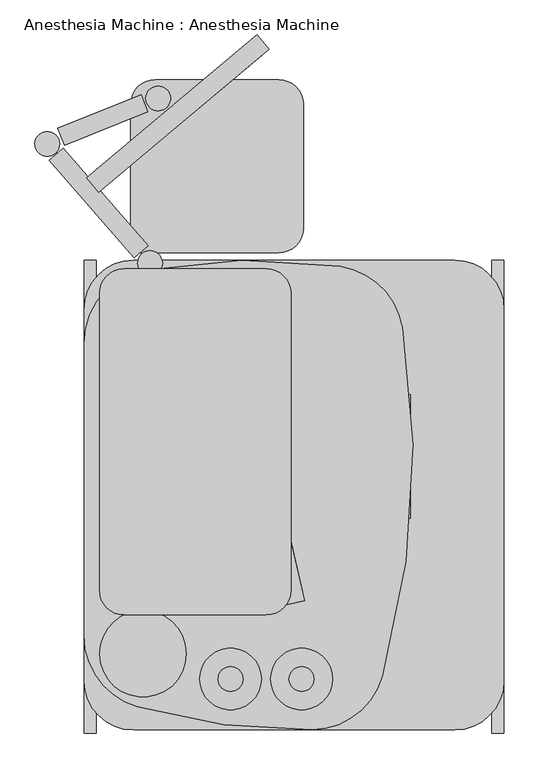
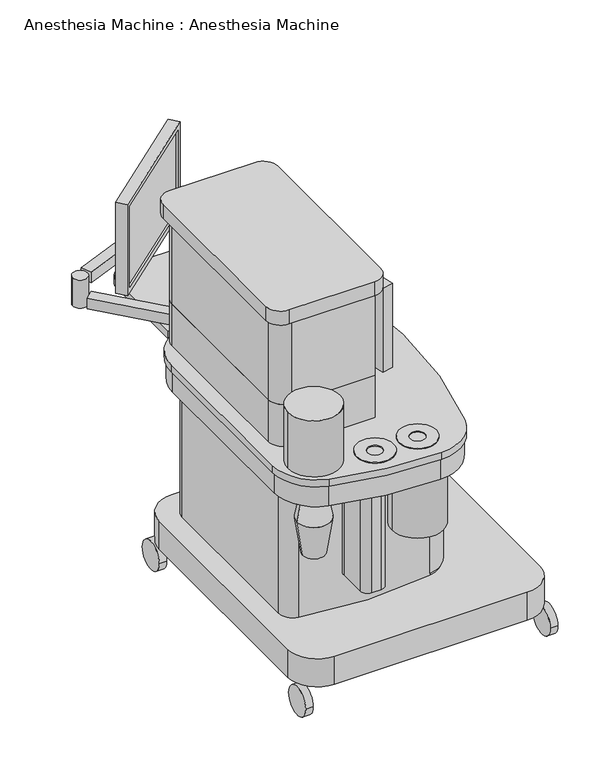
"""IFC4 building model written with IfcOpenShell, lengths in millimetres: proxy geometry, Anesthesia Machine : Anesthesia Machine."""

import ifcopenshell
import ifcopenshell.guid

model = None  # the IFC model being written
_history = None  # IfcOwnerHistory: only IFC2X3 demands one
_inside = {}  # id of a spatial element -> (the spatial element, [elements in it])
_under = {}  # id of a project, library or spatial element -> (it, [spatial elements below it])
_declared = {}  # id of a project -> (the project, [libraries it declares])
_typed = {}  # id of a type object -> (the type object, [elements of that type])
_made_of = {}  # id of a material, layer set ... -> (it, [elements and type objects made of it])


def new_model(schema):
    """Start an empty IFC model of exactly this schema.

    Asked for "IFC4X3", IfcOpenShell would pick the latest addendum, in which some entities
    have other attributes; the version numbers below select the first issue.
    IFC2X3 requires an IfcOwnerHistory on every rooted entity: one is made here for all.
    """
    global model, _history
    if schema == "IFC4X3":
        model = ifcopenshell.file(schema_version=(4, 3, 0, 0))
    else:
        model = ifcopenshell.file(schema=schema)
    _inside.clear()
    _under.clear()
    _declared.clear()
    _typed.clear()
    _made_of.clear()
    _history = None
    if model.schema == "IFC2X3":
        org = make("IfcOrganization", Name="unknown")
        user = make(
            "IfcPersonAndOrganization",
            ThePerson=make("IfcPerson", FamilyName="unknown"),
            TheOrganization=org,
        )
        app = make(
            "IfcApplication",
            ApplicationDeveloper=org,
            Version="unknown",
            ApplicationFullName="unknown",
            ApplicationIdentifier="unknown",
        )
        _history = make(
            "IfcOwnerHistory",
            OwningUser=user,
            OwningApplication=app,
            ChangeAction="ADDED",
            CreationDate=0,
        )
    return model


def make(cls, **values):
    """One entity of the class cls with the attributes given. An attribute that is None is left unset."""
    return model.create_entity(
        cls, **{name: value for name, value in values.items() if value is not None}
    )


def rooted(cls, **values):
    """An entity with a GlobalId (a new one), such as an element, a storey or a relation."""
    return make(cls, GlobalId=ifcopenshell.guid.new(), OwnerHistory=_history, **values)


def si_unit(unit_type, name, prefix=None):
    """IfcSIUnit, for example si_unit("LENGTHUNIT", "METRE", prefix="MILLI")."""
    return make("IfcSIUnit", UnitType=unit_type, Prefix=prefix, Name=name)


def assignment(units):
    """IfcUnitAssignment: the units of a project."""
    return None if units is None else make("IfcUnitAssignment", Units=units)


def point(xyz):
    """IfcCartesianPoint."""
    return None if xyz is None else make("IfcCartesianPoint", Coordinates=xyz)


def direction(xyz):
    """IfcDirection."""
    return None if xyz is None else make("IfcDirection", DirectionRatios=xyz)


def frame(location, z_axis=None, x_axis=None):
    """IfcAxis2Placement3D, a coordinate frame: its origin and axes. An axis left out is left unset."""
    return make(
        "IfcAxis2Placement3D",
        Location=point(location),
        Axis=direction(z_axis),
        RefDirection=direction(x_axis),
    )


def frame_2d(location, x_axis=None):
    """IfcAxis2Placement2D, a coordinate frame in the plane: its origin and x axis."""
    return make(
        "IfcAxis2Placement2D", Location=point(location), RefDirection=direction(x_axis)
    )


def origin():
    """The frame at (0, 0, 0) with its axes left unset."""
    return frame((0.0, 0.0, 0.0))


def place(relative_to, where):
    """IfcLocalPlacement: puts the frame where relative to a parent placement (None: the world)."""
    return make(
        "IfcLocalPlacement", PlacementRelTo=relative_to, RelativePlacement=where
    )


def context(
    kind, dimensions, precision=None, world=None, true_north=None, identifier=None
):
    """IfcGeometricRepresentationContext, for example the 3D "Model" context."""
    return make(
        "IfcGeometricRepresentationContext",
        ContextIdentifier=identifier,
        ContextType=kind,
        CoordinateSpaceDimension=dimensions,
        Precision=precision,
        WorldCoordinateSystem=world,
        TrueNorth=true_north,
    )


def project(units=None, contexts=None):
    """IfcProject with its units and contexts."""
    return rooted(
        "IfcProject",
        Name="project",
        RepresentationContexts=contexts,
        UnitsInContext=assignment(units),
    )


def spatial(cls, under=None, at=None, **own):
    """A site, building, storey or space (cls), placed at a placement, below another one or the project."""
    s = rooted(cls, ObjectPlacement=at, **own)
    if under is not None:
        _under.setdefault(under.id(), (under, []))[1].append(s)
    return s


def polyline(points):
    """IfcPolyline through the points."""
    return make("IfcPolyline", Points=[point(p) for p in points])


def circle_curve(where, radius):
    """IfcCircle in the frame where."""
    return make("IfcCircle", Position=where, Radius=radius)


def trimmed(basis, trim1, trim2, sense, master):
    """IfcTrimmedCurve: the piece of a basis curve between two trims."""
    return make(
        "IfcTrimmedCurve",
        BasisCurve=basis,
        Trim1=trim1,
        Trim2=trim2,
        SenseAgreement=sense,
        MasterRepresentation=master,
    )


def segment(curve, same_sense, transition):
    """IfcCompositeCurveSegment."""
    return make(
        "IfcCompositeCurveSegment",
        Transition=transition,
        SameSense=same_sense,
        ParentCurve=curve,
    )


def composite_curve(segments, self_intersect=None):
    """IfcCompositeCurve: segments joined end to end."""
    return make("IfcCompositeCurve", Segments=segments, SelfIntersect=self_intersect)


def outline(outer, holes=None, kind="AREA"):
    """IfcArbitraryClosedProfileDef: a profile drawn as a closed curve; with holes, ...WithVoids."""
    if holes is None:
        return make("IfcArbitraryClosedProfileDef", ProfileType=kind, OuterCurve=outer)
    return make(
        "IfcArbitraryProfileDefWithVoids",
        ProfileType=kind,
        OuterCurve=outer,
        InnerCurves=holes,
    )


def extrude(swept, where, along, depth):
    """IfcExtrudedAreaSolid: the profile swept, set in the frame where, extruded along a direction by depth."""
    return make(
        "IfcExtrudedAreaSolid",
        SweptArea=swept,
        Position=where,
        ExtrudedDirection=direction(along),
        Depth=depth,
    )


def faces_of(points, faces, orient=None, outer=None):
    """IfcFace entities. A face is a list of loops; a loop is a list of indices into points, from 0.

    orient and outer hold one flag for each loop. By default every Orientation is true, the
    first loop of a face is its IfcFaceOuterBound and the others are IfcFaceBound.
    """
    made = []
    for i, loops in enumerate(faces):
        bounds = []
        for j, loop in enumerate(loops):
            is_outer = j == 0 if outer is None else outer[i][j]
            bounds.append(
                make(
                    "IfcFaceOuterBound" if is_outer else "IfcFaceBound",
                    Bound=make("IfcPolyLoop", Polygon=[points[k] for k in loop]),
                    Orientation=True if orient is None else orient[i][j],
                )
            )
        made.append(make("IfcFace", Bounds=bounds))
    return made


def faceted_brep(points, faces, orient=None, outer=None, voids=None):
    """IfcFacetedBrep: a solid bounded by flat faces; with voids (closed shells), ...WithVoids."""
    shared = [point(p) for p in points]
    hull = make("IfcClosedShell", CfsFaces=faces_of(shared, faces, orient, outer))
    if voids is None:
        return make("IfcFacetedBrep", Outer=hull)
    return make(
        "IfcFacetedBrepWithVoids",
        Outer=hull,
        Voids=[
            make(cls, CfsFaces=faces_of(shared, fs, o, b)) for cls, fs, o, b in voids
        ],
    )


def shape(context_of_items, identifier, shape_type, items):
    """IfcShapeRepresentation: the items that make up one representation, for example the "Body"."""
    return make(
        "IfcShapeRepresentation",
        ContextOfItems=context_of_items,
        RepresentationIdentifier=identifier,
        RepresentationType=shape_type,
        Items=items,
    )


def source(mapping_origin, context_of_items, identifier, shape_type, items):
    """IfcRepresentationMap: a shape defined once, which mapped items show again and again."""
    return make(
        "IfcRepresentationMap",
        MappingOrigin=mapping_origin,
        MappedRepresentation=shape(context_of_items, identifier, shape_type, items),
    )


def transform(
    local_origin,
    x_axis=None,
    y_axis=None,
    z_axis=None,
    scale=None,
    scale2=None,
    scale3=None,
    uniform=True,
):
    """IfcCartesianTransformationOperator3D, or its non-uniform kind. x_axis, y_axis, z_axis: its Axis1, 2, 3."""
    if uniform:
        return make(
            "IfcCartesianTransformationOperator3D",
            Axis1=direction(x_axis),
            Axis2=direction(y_axis),
            LocalOrigin=point(local_origin),
            Scale=scale,
            Axis3=direction(z_axis),
        )
    return make(
        "IfcCartesianTransformationOperator3DnonUniform",
        Axis1=direction(x_axis),
        Axis2=direction(y_axis),
        LocalOrigin=point(local_origin),
        Scale=scale,
        Axis3=direction(z_axis),
        Scale2=scale2,
        Scale3=scale3,
    )


def mapped(mapping_source, mapping_target):
    """IfcMappedItem: shows the shape of a source again, moved by a transform."""
    return make(
        "IfcMappedItem", MappingSource=mapping_source, MappingTarget=mapping_target
    )


def made_of(thing, what):
    """Note that an element or type object is made of a material, layer set ...; save() writes the relation."""
    if what is not None:
        _made_of.setdefault(what.id(), (what, []))[1].append(thing)
    return thing


def element(
    cls,
    number,
    at=None,
    inside=None,
    cuts=None,
    type_object=None,
    material=None,
    context=None,
    identifier="Body",
    shape_type=None,
    held_by="IfcProductDefinitionShape",
    body=None,
    shapes=None,
    **own,
):
    """One element of the class cls, such as IfcWall. Its Tag is "e" and its number.

    at: its placement. inside: the storey or other place that contains it. cuts: it is an
    opening in that element (IfcRelVoidsElement). A single representation is given by context,
    identifier, shape_type and body (its items); several are given by shapes. held_by: the class
    of the entity that holds the representations. save() writes the other relations.
    """
    e = rooted(cls, Tag="e%d" % number, ObjectPlacement=at, **own)
    if body is not None:
        shapes = [shape(context, identifier, shape_type, body)]
    if shapes is not None:
        e.Representation = make(held_by, Representations=shapes)
    if inside is not None:
        _inside.setdefault(inside.id(), (inside, []))[1].append(e)
    if cuts is not None:
        rooted(
            "IfcRelVoidsElement", RelatingBuildingElement=cuts, RelatedOpeningElement=e
        )
    if type_object is not None:
        _typed.setdefault(type_object.id(), (type_object, []))[1].append(e)
    return made_of(e, material)


def aggregate(whole, parts):
    """IfcRelAggregates: a whole, such as a stair, and the parts it consists of."""
    return rooted("IfcRelAggregates", RelatingObject=whole, RelatedObjects=parts)


def save(model, path):
    """Write the relations noted so far, then the file.

    IfcRelAggregates (storeys below a building ...), IfcRelContainedInSpatialStructure (elements
    in a storey), IfcRelDefinesByType, IfcRelAssociatesMaterial and IfcRelDeclares: one each for
    every whole, place, type object, material and project.
    """
    for whole, parts in _under.values():
        aggregate(whole, parts)
    for where, things in _inside.values():
        rooted(
            "IfcRelContainedInSpatialStructure",
            RelatedElements=things,
            RelatingStructure=where,
        )
    for kind, things in _typed.values():
        rooted("IfcRelDefinesByType", RelatedObjects=things, RelatingType=kind)
    for what, things in _made_of.values():
        rooted("IfcRelAssociatesMaterial", RelatedObjects=things, RelatingMaterial=what)
    for by, libraries in _declared.values():
        rooted("IfcRelDeclares", RelatingContext=by, RelatedDefinitions=libraries)
    model.write(path)


def plane_surface(at):
    """IfcPlane: the flat surface through the origin of the frame at, square to its z axis."""
    return make("IfcPlane", Position=at)


def cylinder_surface(at, radius):
    """IfcCylindricalSurface: all points at the distance radius from the z axis of the frame at."""
    return make("IfcCylindricalSurface", Position=at, Radius=radius)


def revolved_surface(curve, axis_point, axis_direction):
    """IfcSurfaceOfRevolution: the curve turned about the line through axis_point along axis_direction."""
    return make(
        "IfcSurfaceOfRevolution",
        SweptCurve=make("IfcArbitraryOpenProfileDef", ProfileType="CURVE", Curve=curve),
        AxisPosition=make("IfcAxis1Placement", Location=point(axis_point), Axis=direction(axis_direction)),
    )


def advanced_brep(points, edges, surfaces, faces):
    """IfcAdvancedBrep: a solid bounded by faces that lie on surfaces and meet in shared edges.

    An edge is (start, end): straight between two places in points (the first is 0);
    or (start, end, curve); or (start, end, curve, False) where it runs against its curve.
    A face is (place in surfaces, loops), or (place, loops, False) where it looks against
    its surface's normal. A loop lists edges by number (the first is 1), with a minus sign
    where the edge is run from its end to its start. The first loop is the outer one.
    """
    corners = [point(p) for p in points]
    vertices = [make("IfcVertexPoint", VertexGeometry=c) for c in corners]
    made = []
    for start, end, *more in edges:
        made.append(
            make(
                "IfcEdgeCurve",
                EdgeStart=vertices[start],
                EdgeEnd=vertices[end],
                EdgeGeometry=more[0] if more else make("IfcPolyline", Points=[corners[start], corners[end]]),
                SameSense=more[1] if len(more) > 1 else True,
            )
        )
    hull = []
    for where, loops, *sense in faces:
        bounds = []
        for j, loop in enumerate(loops):
            ring = [make("IfcOrientedEdge", EdgeElement=made[abs(k) - 1], Orientation=k > 0) for k in loop]
            bounds.append(
                make(
                    "IfcFaceOuterBound" if j == 0 else "IfcFaceBound",
                    Bound=make("IfcEdgeLoop", EdgeList=ring),
                    Orientation=True,
                )
            )
        hull.append(make("IfcAdvancedFace", Bounds=bounds, FaceSurface=surfaces[where], SameSense=sense[0] if sense else True))
    return make("IfcAdvancedBrep", Outer=make("IfcClosedShell", CfsFaces=hull))


def anesthesia_machine_anesthesia_machine_76dfc702(model_context):
    return source(origin(), model_context, "Body", "SolidModel", [
        extrude(outline(composite_curve([segment(trimmed(circle_curve(frame_2d((554.8900912, 847.5722927)), 12.7), [point((542.1900912, 847.5722927))], [point((567.5900912, 847.5722927))], False, "CARTESIAN"), True, "CONTINUOUS"), segment(trimmed(circle_curve(frame_2d((554.8900912, 847.5722927)), 12.7), [point((567.5900912, 847.5722927))], [point((542.1900912, 847.5722927))], False, "CARTESIAN"), True, "CONTINUOUS")], self_intersect=False)), frame((-476.25, 0.0, 0.0), z_axis=(1.0, 0.0, 0.0), x_axis=(0.0, 1.0, 0.0)), (0.0, 0.0, 1.0), 12.7),
        extrude(outline(composite_curve([segment(trimmed(circle_curve(frame_2d((554.8900912, 936.4722927)), 12.7), [point((542.1900912, 936.4722927))], [point((567.5900912, 936.4722927))], False, "CARTESIAN"), True, "CONTINUOUS"), segment(trimmed(circle_curve(frame_2d((554.8900912, 936.4722927)), 12.7), [point((567.5900912, 936.4722927))], [point((542.1900912, 936.4722927))], False, "CARTESIAN"), True, "CONTINUOUS")], self_intersect=False)), frame((-476.25, 0.0, 0.0), z_axis=(1.0, 0.0, 0.0), x_axis=(0.0, 1.0, 0.0)), (0.0, 0.0, 1.0), 12.7),
        extrude(outline(composite_curve([segment(trimmed(circle_curve(frame_2d((843.450398, 886.083496)), 19.05), [point((824.400398, 886.083496))], [point((862.500398, 886.083496))], False, "CARTESIAN"), True, "CONTINUOUS"), segment(trimmed(circle_curve(frame_2d((843.450398, 886.083496)), 19.05), [point((862.500398, 886.083496))], [point((824.400398, 886.083496))], False, "CARTESIAN"), True, "CONTINUOUS")], self_intersect=False)), frame((-476.25, 0.0, 0.0), z_axis=(1.0, 0.0, 0.0), x_axis=(0.0, 1.0, 0.0)), (0.0, 0.0, 1.0), 12.7),
        extrude(outline(polyline([(-917.388516, 1235.9041827), (-746.6476092, 1304.8879869), (-732.375098, 1269.562282), (-903.1160048, 1200.5784778), (-917.388516, 1235.9041827)])), frame((0.0, 0.0, 876.3), z_axis=(0.0, 0.0, 1.0), x_axis=(1.0, 0.0, 0.0)), (0.0, 0.0, 1.0), 38.1),
        extrude(outline(composite_curve([segment(trimmed(circle_curve(frame_2d((-711.2466094, 1297.2943256)), 25.4), [point((-719.5160405, 1273.2781538))], [point((-702.9771783, 1321.3104975))], False, "CARTESIAN"), True, "CONTINUOUS"), segment(trimmed(circle_curve(frame_2d((-711.2466094, 1297.2943256)), 25.4), [point((-702.9771783, 1321.3104975))], [point((-719.5160405, 1273.2781538))], False, "CARTESIAN"), True, "CONTINUOUS")], self_intersect=False)), frame((0.0, 0.0, 876.3), z_axis=(0.0, 0.0, 1.0), x_axis=(1.0, 0.0, 0.0)), (0.0, 0.0, 1.0), 38.1),
        extrude(outline(composite_curve([segment(trimmed(circle_curve(frame_2d((-939.220642, 1203.7584929)), 25.4), [point((-964.620642, 1203.7584929))], [point((-913.820642, 1203.7584929))], False, "CARTESIAN"), True, "CONTINUOUS"), segment(trimmed(circle_curve(frame_2d((-939.220642, 1203.7584929)), 25.4), [point((-913.820642, 1203.7584929))], [point((-964.620642, 1203.7584929))], False, "CARTESIAN"), True, "CONTINUOUS")], self_intersect=False)), frame((0.0, 0.0, 812.8), z_axis=(0.0, 0.0, 1.0), x_axis=(1.0, 0.0, 0.0)), (0.0, 0.0, 1.0), 101.6),
        extrude(outline(composite_curve([segment(trimmed(circle_curve(frame_2d((-727.8788746, 958.85)), 25.4), [point((-753.2788746, 958.85))], [point((-702.4788746, 958.85))], False, "CARTESIAN"), True, "CONTINUOUS"), segment(trimmed(circle_curve(frame_2d((-727.8788746, 958.85)), 25.4), [point((-702.4788746, 958.85))], [point((-753.2788746, 958.85))], False, "CARTESIAN"), True, "CONTINUOUS")], self_intersect=False)), frame((0.0, 0.0, 812.8), z_axis=(0.0, 0.0, 1.0), x_axis=(1.0, 0.0, 0.0)), (0.0, 0.0, 1.0), 38.1),
        extrude(outline(polyline([(-732.224365, 994.7945572), (-760.9788, 969.7987082), (-934.9431146, 1169.9217597), (-906.1886796, 1194.9176087), (-732.224365, 994.7945572)])), frame((0.0, 0.0, 812.8), z_axis=(0.0, 0.0, 1.0), x_axis=(1.0, 0.0, 0.0)), (0.0, 0.0, 1.0), 38.1),
        faceted_brep([(-515.8245846, 553.9624614, 1270.0), (-447.2595032, 256.9744657, 1270.0), (-410.1360037, 265.5451008, 1270.0), (-478.7010851, 562.5330966, 1270.0), (-515.8245846, 553.9624614, 965.2), (-478.7010851, 562.5330966, 965.2), (-410.1360037, 265.5451008, 965.2), (-447.2595032, 256.9744657, 965.2), (-414.4213213, 284.1068506, 1016.0), (-414.4213213, 284.1068506, 1250.95), (-474.4157675, 543.9713468, 1250.95), (-474.4157675, 543.9713468, 1016.0), (-420.6085712, 282.6784114, 1016.0), (-480.6030174, 542.5429076, 1016.0), (-480.6030174, 542.5429076, 1250.95), (-420.6085712, 282.6784114, 1250.95)], [[[0, 1, 2, 3]], [[4, 5, 6, 7]], [[1, 0, 4, 7]], [[2, 1, 7, 6]], [[3, 2, 6, 5], [8, 9, 10, 11]], [[0, 3, 5, 4]], [[12, 13, 14, 15]], [[12, 15, 9, 8]], [[15, 14, 10, 9]], [[14, 13, 11, 10]], [[13, 12, 8, 11]]]),
        extrude(outline(composite_curve([segment(trimmed(circle_curve(frame_2d((1022.35, -556.2005024)), 57.4078072), [point((984.25, -513.2581419))], [point((1060.45, -513.2581419))], False, "CARTESIAN"), True, "CONTINUOUS"), segment(polyline([(1060.45, -513.2581419), (984.25, -513.2581419)]), True, "CONTINUOUS")], self_intersect=False)), frame((0.0, 574.562726, 0.0), z_axis=(0.0, 1.0, 0.0), x_axis=(0.0, 0.0, 1.0)), (0.0, 0.0, 1.0), 38.1),
        faceted_brep([(-716.4581419, 720.612726, 1117.6), (-716.4581419, 568.212726, 1117.6), (-462.4581419, 568.212726, 1117.6), (-462.4581419, 720.612726, 1117.6), (-716.4581419, 568.212726, 965.2), (-716.4581419, 720.612726, 965.2), (-500.5581419, 720.612726, 965.2), (-500.5581419, 619.012726, 965.2), (-513.2581419, 619.012726, 965.2), (-513.2581419, 568.212726, 965.2), (-513.2581419, 568.212726, 1079.5), (-462.4581419, 568.212726, 1079.5), (-462.4581419, 619.012726, 1079.5), (-462.4581419, 619.012726, 1003.3), (-462.4581419, 720.612726, 1003.3), (-513.2581419, 619.012726, 1079.5)], [[[0, 1, 2, 3]], [[4, 5, 6, 7, 8, 9]], [[1, 0, 5, 4]], [[2, 1, 4, 9, 10, 11]], [[3, 2, 11, 12, 13, 14]], [[0, 3, 14, 6, 5]], [[6, 14, 13, 7]], [[12, 15, 8, 7, 13]], [[8, 15, 10, 9]], [[15, 12, 11, 10]]]),
        extrude(outline(composite_curve([segment(trimmed(circle_curve(frame_2d((-567.2331419, 644.412726)), 57.15), [point((-624.3831419, 644.412726))], [point((-510.0831419, 644.412726))], False, "CARTESIAN"), True, "CONTINUOUS"), segment(trimmed(circle_curve(frame_2d((-567.2331419, 644.412726)), 57.15), [point((-510.0831419, 644.412726))], [point((-624.3831419, 644.412726))], False, "CARTESIAN"), True, "CONTINUOUS")], self_intersect=False)), frame((0.0, 0.0, 1117.6), z_axis=(0.0, 0.0, 1.0), x_axis=(1.0, 0.0, 0.0)), (0.0, 0.0, 1.0), 12.7),
        extrude(outline(composite_curve([segment(trimmed(circle_curve(frame_2d((-478.3331419, 749.187726)), 12.7), [point((-491.0331419, 749.187726))], [point((-465.6331419, 749.187726))], False, "CARTESIAN"), True, "CONTINUOUS"), segment(trimmed(circle_curve(frame_2d((-478.3331419, 749.187726)), 12.7), [point((-465.6331419, 749.187726))], [point((-491.0331419, 749.187726))], False, "CARTESIAN"), True, "CONTINUOUS")], self_intersect=False)), frame((0.0, 0.0, 1016.0), z_axis=(0.0, 0.0, 1.0), x_axis=(1.0, 0.0, 0.0)), (0.0, 0.0, 1.0), 6.35),
        faceted_brep([(-716.4581419, 885.712726, 1168.4), (-716.4581419, 733.312726, 1168.4), (-462.4581419, 733.312726, 1168.4), (-462.4581419, 885.712726, 1168.4), (-716.4581419, 885.712726, 965.2), (-462.4581419, 885.712726, 965.2), (-462.4581419, 733.312726, 965.2), (-716.4581419, 733.312726, 965.2), (-462.4581419, 733.312726, 1016.0), (-513.2581419, 733.312726, 1016.0), (-513.2581419, 733.312726, 1117.6), (-462.4581419, 733.312726, 1117.6), (-462.4581419, 784.112726, 1117.6), (-462.4581419, 784.112726, 1016.0), (-513.2581419, 784.112726, 1117.6), (-513.2581419, 784.112726, 1016.0)], [[[0, 1, 2, 3]], [[4, 5, 6, 7]], [[1, 0, 4, 7]], [[2, 1, 7, 6, 8, 9, 10, 11]], [[3, 2, 11, 12, 13, 8, 6, 5]], [[0, 3, 5, 4]], [[14, 10, 9, 15]], [[14, 15, 13, 12]], [[15, 9, 8, 13]], [[10, 14, 12, 11]]]),
        extrude(outline(composite_curve([segment(polyline([(-762.0, 928.2120107), (-476.25, 928.2120107), (-476.25, 909.1620107), (-762.0, 909.1620107)]), True, "CONTINUOUS"), segment(trimmed(circle_curve(frame_2d((-762.0, 877.4120107)), 31.75), [point((-762.0, 909.1620107))], [point((-793.75, 877.4120107))], True, "CARTESIAN"), True, "CONTINUOUS"), segment(polyline([(-793.75, 877.4120107), (-793.75, 305.9120107)]), True, "CONTINUOUS"), segment(trimmed(circle_curve(frame_2d((-762.0, 305.9120107)), 31.75), [point((-793.75, 305.9120107))], [point((-762.0, 274.1620107))], True, "CARTESIAN"), True, "CONTINUOUS"), segment(polyline([(-762.0, 274.1620107), (-476.25, 274.1620107), (-476.25, 255.1120107), (-762.0, 255.1120107)]), True, "CONTINUOUS"), segment(trimmed(circle_curve(frame_2d((-762.0, 305.9120107)), 50.8), [point((-762.0, 255.1120107))], [point((-812.8, 305.9120107))], False, "CARTESIAN"), True, "CONTINUOUS"), segment(polyline([(-812.8, 305.9120107), (-812.8, 877.4120107)]), True, "CONTINUOUS"), segment(trimmed(circle_curve(frame_2d((-762.0, 877.4120107)), 50.8), [point((-812.8, 877.4120107))], [point((-762.0, 928.2120107))], False, "CARTESIAN"), True, "CONTINUOUS")], self_intersect=False)), frame((0.0, 0.0, 965.2), z_axis=(0.0, 0.0, 1.0), x_axis=(1.0, 0.0, 0.0)), (0.0, 0.0, 1.0), 304.8),
        advanced_brep(
        [(-476.25, 255.1120107, 965.2), (-476.25, 928.2120107, 965.2), (-762.0, 928.2120107, 965.2), (-812.8, 877.4120107, 965.2), (-812.8, 305.9120107, 965.2), (-762.0, 255.1120107, 965.2), (-476.25, 255.1120107, 812.8), (-762.0, 255.1120107, 812.8), (-812.8, 305.9120107, 812.8), (-812.8, 877.4120107, 812.8), (-762.0, 928.2120107, 812.8), (-476.25, 928.2120107, 812.8), (-476.25, 573.9400912, 892.1251476), (-476.25, 535.8400912, 892.1251476), (-476.25, 331.5890894, 920.9905247), (-476.25, 331.5890894, 844.7905247), (-476.25, 318.8890894, 844.7905247), (-476.25, 318.8890894, 920.9905247), (-482.6, 573.9400912, 892.1251476), (-482.6, 535.8400912, 892.1251476), (-482.6, 331.5890894, 920.9905247), (-482.6, 318.8890894, 920.9905247), (-482.6, 318.8890894, 844.7905247), (-482.6, 331.5890894, 844.7905247)],
        [
            (0, 1),
            (1, 2),
            (2, 3, circle_curve(frame((-762.0, 877.4120107, 965.2), z_axis=(0.0, 0.0, 1.0), x_axis=(1.0, 0.0, 0.0)), 50.8)),
            (3, 4),
            (4, 5, circle_curve(frame((-762.0, 305.9120107, 965.2), z_axis=(0.0, 0.0, 1.0), x_axis=(1.0, 0.0, 0.0)), 50.8)),
            (5, 0),
            (6, 7),
            (7, 8, circle_curve(frame((-762.0, 305.9120107, 812.8), z_axis=(0.0, 0.0, -1.0), x_axis=(1.0, 0.0, 0.0)), 50.8)),
            (8, 9),
            (9, 10, circle_curve(frame((-762.0, 877.4120107, 812.8), z_axis=(0.0, 0.0, -1.0), x_axis=(1.0, 0.0, 0.0)), 50.8)),
            (10, 11),
            (11, 6),
            (0, 6),
            (11, 1),
            (12, 13, circle_curve(frame((-476.25, 554.8900912, 892.1251476), z_axis=(-1.0, 0.0, 0.0), x_axis=(0.0, -1.0, 0.0)), 19.05)),
            (13, 12, circle_curve(frame((-476.25, 554.8900912, 892.1251476), z_axis=(-1.0, 0.0, 0.0), x_axis=(0.0, -1.0, 0.0)), 19.05)),
            (14, 15),
            (15, 16),
            (16, 17),
            (17, 14),
            (10, 2),
            (9, 3),
            (8, 4),
            (7, 5),
            (18, 19, circle_curve(frame((-482.6, 554.8900912, 892.1251476), z_axis=(1.0, 0.0, 0.0), x_axis=(0.0, -1.0, 0.0)), 19.05)),
            (19, 18, circle_curve(frame((-482.6, 554.8900912, 892.1251476), z_axis=(1.0, 0.0, 0.0), x_axis=(0.0, -1.0, 0.0)), 19.05)),
            (19, 13),
            (12, 18),
            (20, 21),
            (21, 22),
            (22, 23),
            (23, 20),
            (23, 15),
            (14, 20),
            (22, 16),
            (21, 17),
        ],
        [
            plane_surface(frame((-476.25, 255.1120107, 965.2), z_axis=(0.0, 0.0, 1.0), x_axis=(0.0, 1.0, 0.0))),
            plane_surface(frame((-476.25, 255.1120107, 812.8), z_axis=(0.0, 0.0, -1.0), x_axis=(0.0, -1.0, 0.0))),
            plane_surface(frame((-476.25, 255.1120107, 965.2), z_axis=(1.0, 0.0, 0.0), x_axis=(0.0, 0.0, -1.0))),
            plane_surface(frame((-476.25, 928.2120107, 965.2), z_axis=(0.0, 1.0, 0.0), x_axis=(0.0, 0.0, -1.0))),
            cylinder_surface(frame((-762.0, 877.4120107, 812.8), z_axis=(0.0, 0.0, 1.0), x_axis=(1.0, 0.0, 0.0)), 50.8),
            plane_surface(frame((-812.8, 877.4120107, 965.2), z_axis=(-1.0, 0.0, 0.0), x_axis=(0.0, 0.0, -1.0))),
            cylinder_surface(frame((-762.0, 305.9120107, 812.8), z_axis=(0.0, 0.0, 1.0), x_axis=(1.0, 0.0, 0.0)), 50.8),
            plane_surface(frame((-762.0, 255.1120107, 965.2), z_axis=(0.0, -1.0, 0.0), x_axis=(0.0, 0.0, -1.0))),
            plane_surface(frame((-482.6, 535.8400912, 892.1251476), z_axis=(1.0, 0.0, 0.0), x_axis=(0.0, 0.0, 1.0))),
            revolved_surface(polyline([(-482.6, 535.8400912000001, 892.1251476), (-476.25, 535.8400912000001, 892.1251476)]), (-476.25, 554.8900912, 892.1251476), (-1.0, 0.0, 0.0)),
            plane_surface(frame((-482.6, 331.5890894, 920.9905247), z_axis=(1.0, 0.0, 0.0), x_axis=(0.0, 0.0, -1.0))),
            plane_surface(frame((-482.6, 331.5890894, 920.9905247), z_axis=(0.0, -1.0, 0.0), x_axis=(1.0, 0.0, 0.0))),
            plane_surface(frame((-482.6, 331.5890894, 844.7905247), z_axis=(0.0, 0.0, 1.0), x_axis=(1.0, 0.0, 0.0))),
            plane_surface(frame((-482.6, 318.8890894, 844.7905247), z_axis=(0.0, 1.0, 0.0), x_axis=(1.0, 0.0, 0.0))),
            plane_surface(frame((-482.6, 318.8890894, 920.9905247), z_axis=(0.0, 0.0, -1.0), x_axis=(1.0, 0.0, 0.0))),
        ],
        [
            (0, [[1, 2, 3, 4, 5, 6]]),
            (1, [[7, 8, 9, 10, 11, 12]]),
            (2, [[-1, 13, -12, 14], [15, 16], [17, 18, 19, 20]]),
            (3, [[-2, -14, -11, 21]]),
            (4, [[-3, -21, -10, 22]]),
            (5, [[-4, -22, -9, 23]]),
            (6, [[-5, -23, -8, 24]]),
            (7, [[-6, -24, -7, -13]]),
            (8, [[25, 26]]),
            (9, [[-26, 27, -15, 28]]),
            (9, [[-25, -28, -16, -27]]),
            (10, [[29, 30, 31, 32]]),
            (11, [[-32, 33, -17, 34]]),
            (12, [[-31, 35, -18, -33]]),
            (13, [[-30, 36, -19, -35]]),
            (14, [[-29, -34, -20, -36]]),
        ],
    ),
        extrude(outline(composite_curve([segment(trimmed(circle_curve(frame_2d((-538.6581419, 809.512726)), 57.15), [point((-595.8081419, 809.512726))], [point((-481.5081419, 809.512726))], False, "CARTESIAN"), True, "CONTINUOUS"), segment(trimmed(circle_curve(frame_2d((-538.6581419, 809.512726)), 57.15), [point((-481.5081419, 809.512726))], [point((-595.8081419, 809.512726))], False, "CARTESIAN"), True, "CONTINUOUS")], self_intersect=False)), frame((0.0, 0.0, 1168.4), z_axis=(0.0, 0.0, 1.0), x_axis=(1.0, 0.0, 0.0)), (0.0, 0.0, 1.0), 19.05),
        faceted_brep([(-507.9361303, 1427.6545044, 1193.8), (-858.1716497, 1133.7720092, 1193.8), (-833.6814418, 1104.585716, 1193.8), (-483.4459224, 1398.4682111, 1193.8), (-507.9361303, 1427.6545044, 863.6), (-483.4459224, 1398.4682111, 863.6), (-833.6814418, 1104.585716, 863.6), (-858.1716497, 1133.7720092, 863.6), (-498.039069, 1386.2231071, 882.65), (-819.0882951, 1116.8308199, 882.65), (-819.0882951, 1116.8308199, 1174.75), (-498.039069, 1386.2231071, 1174.75), (-502.1207704, 1391.0874893, 882.65), (-502.1207704, 1391.0874893, 1174.75), (-823.1699965, 1121.6952021, 1174.75), (-823.1699965, 1121.6952021, 882.65)], [[[0, 1, 2, 3]], [[4, 5, 6, 7]], [[1, 0, 4, 7]], [[2, 1, 7, 6]], [[3, 2, 6, 5], [8, 9, 10, 11]], [[0, 3, 5, 4]], [[12, 13, 14, 15]], [[12, 15, 9, 8]], [[15, 14, 10, 9]], [[14, 13, 11, 10]], [[13, 12, 8, 11]]]),
        extrude(outline(composite_curve([segment(polyline([(-463.1750598, 980.228398), (-767.9750598, 980.228398), (-767.9750598, 1285.028398)]), True, "CONTINUOUS"), segment(trimmed(circle_curve(frame_2d((-717.1750598, 1285.028398)), 50.8), [point((-767.9750598, 1285.028398))], [point((-717.1750598, 1335.828398))], False, "CARTESIAN"), True, "CONTINUOUS"), segment(polyline([(-717.1750598, 1335.828398), (-463.1750598, 1335.828398)]), True, "CONTINUOUS"), segment(trimmed(circle_curve(frame_2d((-463.1750598, 1285.028398)), 50.8), [point((-463.1750598, 1335.828398))], [point((-412.3750598, 1285.028398))], False, "CARTESIAN"), True, "CONTINUOUS"), segment(polyline([(-412.3750598, 1285.028398), (-412.3750598, 1031.028398)]), True, "CONTINUOUS"), segment(trimmed(circle_curve(frame_2d((-463.1750598, 1031.028398)), 50.8), [point((-412.3750598, 1031.028398))], [point((-463.1750598, 980.228398))], False, "CARTESIAN"), True, "CONTINUOUS")], self_intersect=False)), frame((0.0, 0.0, 762.0), z_axis=(0.0, 0.0, 1.0), x_axis=(1.0, 0.0, 0.0)), (0.0, 0.0, 1.0), 25.4),
        extrude(outline(composite_curve([segment(polyline([(-781.05, 947.2620107), (-488.95, 947.2620107)]), True, "CONTINUOUS"), segment(trimmed(circle_curve(frame_2d((-488.95, 896.4620107)), 50.8), [point((-488.95, 947.2620107))], [point((-438.15, 896.4620107))], False, "CARTESIAN"), True, "CONTINUOUS"), segment(polyline([(-438.15, 896.4620107), (-438.15, 286.8620107)]), True, "CONTINUOUS"), segment(trimmed(circle_curve(frame_2d((-488.95, 286.8620107)), 50.8), [point((-438.15, 286.8620107))], [point((-488.95, 236.0620107))], False, "CARTESIAN"), True, "CONTINUOUS"), segment(polyline([(-488.95, 236.0620107), (-781.05, 236.0620107)]), True, "CONTINUOUS"), segment(trimmed(circle_curve(frame_2d((-781.05, 286.8620107)), 50.8), [point((-781.05, 236.0620107))], [point((-831.85, 286.8620107))], False, "CARTESIAN"), True, "CONTINUOUS"), segment(polyline([(-831.85, 286.8620107), (-831.85, 896.4620107)]), True, "CONTINUOUS"), segment(trimmed(circle_curve(frame_2d((-781.05, 896.4620107)), 50.8), [point((-831.85, 896.4620107))], [point((-781.05, 947.2620107))], False, "CARTESIAN"), True, "CONTINUOUS")], self_intersect=False)), frame((0.0, 0.0, 1270.0), z_axis=(0.0, 0.0, 1.0), x_axis=(1.0, 0.0, 0.0)), (0.0, 0.0, 1.0), 50.8),
        extrude(outline(composite_curve([segment(trimmed(circle_curve(frame_2d((-742.412307, 156.2733153)), 88.9), [point((-831.312307, 156.2733153))], [point((-653.512307, 156.2733153))], False, "CARTESIAN"), True, "CONTINUOUS"), segment(trimmed(circle_curve(frame_2d((-742.412307, 156.2733153)), 88.9), [point((-653.512307, 156.2733153))], [point((-831.312307, 156.2733153))], False, "CARTESIAN"), True, "CONTINUOUS")], self_intersect=False)), frame((0.0, 0.0, 812.8), z_axis=(0.0, 0.0, 1.0), x_axis=(1.0, 0.0, 0.0)), (0.0, 0.0, 1.0), 203.2),
        extrude(outline(composite_curve([segment(trimmed(circle_curve(frame_2d((-562.3276169, 104.618655)), 63.5), [point((-625.8276169, 104.618655))], [point((-498.8276169, 104.618655))], False, "CARTESIAN"), True, "CONTINUOUS"), segment(trimmed(circle_curve(frame_2d((-562.3276169, 104.618655)), 63.5), [point((-498.8276169, 104.618655))], [point((-625.8276169, 104.618655))], False, "CARTESIAN"), True, "CONTINUOUS")], self_intersect=False), holes=[composite_curve([segment(trimmed(circle_curve(frame_2d((-562.3276169, 104.618655)), 25.4), [point((-587.7276169, 104.618655))], [point((-536.9276169, 104.618655))], True, "CARTESIAN"), True, "CONTINUOUS"), segment(trimmed(circle_curve(frame_2d((-562.3276169, 104.618655)), 25.4), [point((-536.9276169, 104.618655))], [point((-587.7276169, 104.618655))], True, "CARTESIAN"), True, "CONTINUOUS")], self_intersect=False)]), frame((0.0, 0.0, 812.8), z_axis=(0.0, 0.0, 1.0), x_axis=(1.0, 0.0, 0.0)), (0.0, 0.0, 1.0), 3.175),
        advanced_brep(
        [(-782.5313841, 153.7299001, 711.2), (-706.3313841, 153.7299001, 711.2), (-801.5813841, 153.7299001, 609.6), (-687.2813841, 153.7299001, 609.6)],
        [
            (0, 1, circle_curve(frame((-744.4313841, 153.7299001, 711.2), z_axis=(0.0, 0.0, 1.0), x_axis=(-1.0, 0.0, 0.0)), 38.1)),
            (1, 0, circle_curve(frame((-744.4313841, 153.7299001, 711.2), z_axis=(0.0, 0.0, 1.0), x_axis=(1.0, 0.0, 0.0)), 38.1)),
            (2, 3, circle_curve(frame((-744.4313841, 153.7299001, 609.6), z_axis=(0.0, 0.0, -1.0), x_axis=(1.0, 0.0, 0.0)), 57.15)),
            (3, 2, circle_curve(frame((-744.4313841, 153.7299001, 609.6), z_axis=(0.0, 0.0, -1.0), x_axis=(-1.0, 0.0, 0.0)), 57.15)),
            (3, 1),
            (0, 2),
        ],
        [
            plane_surface(frame((-744.4313841, 153.7299001, 711.2), z_axis=(0.0, 0.0, 1.0), x_axis=(0.0, 1.0, 0.0))),
            plane_surface(frame((-744.4313841, 153.7299001, 609.6), z_axis=(0.0, 0.0, -1.0), x_axis=(0.0, 1.0, 0.0))),
            revolved_surface(polyline([(-782.5313841, 153.7299001, 711.2), (-801.5813841, 153.7299001, 609.6)]), (-744.4313841, 153.7299001, 914.4), (0.0, 0.0, -1.0)),
            revolved_surface(polyline([(-706.3313840999999, 153.7299001, 711.2), (-687.2813841, 153.7299001, 609.6)]), (-744.4313841, 153.7299001, 914.4), (0.0, 0.0, -1.0)),
        ],
        [
            (0, [[1, 2]]),
            (1, [[3, 4]]),
            (2, [[-4, 5, -1, 6]]),
            (3, [[-3, -6, -2, -5]]),
        ],
    ),
        advanced_brep(
        [(-801.5813841, 153.7299001, 609.6), (-687.2813841, 153.7299001, 609.6), (-782.5313841, 153.7299001, 482.6), (-706.3313841, 153.7299001, 482.6)],
        [
            (0, 1, circle_curve(frame((-744.4313841, 153.7299001, 609.6), z_axis=(0.0, 0.0, 1.0), x_axis=(-1.0, 0.0, 0.0)), 57.15)),
            (1, 0, circle_curve(frame((-744.4313841, 153.7299001, 609.6), z_axis=(0.0, 0.0, 1.0), x_axis=(1.0, 0.0, 0.0)), 57.15)),
            (2, 3, circle_curve(frame((-744.4313841, 153.7299001, 482.6), z_axis=(0.0, 0.0, -1.0), x_axis=(1.0, 0.0, 0.0)), 38.1)),
            (3, 2, circle_curve(frame((-744.4313841, 153.7299001, 482.6), z_axis=(0.0, 0.0, -1.0), x_axis=(-1.0, 0.0, 0.0)), 38.1)),
            (3, 1),
            (0, 2),
        ],
        [
            plane_surface(frame((-744.4313841, 153.7299001, 609.6), z_axis=(0.0, 0.0, 1.0), x_axis=(0.0, -1.0, 0.0))),
            plane_surface(frame((-744.4313841, 153.7299001, 482.6), z_axis=(0.0, 0.0, -1.0), x_axis=(0.0, -1.0, 0.0))),
            revolved_surface(polyline([(-706.3313840999999, 153.7299001, 482.6), (-687.2813841, 153.7299001, 609.6)]), (-744.4313841, 153.7299001, 228.6), (0.0, 0.0, 1.0)),
            revolved_surface(polyline([(-782.5313841, 153.7299001, 482.6), (-801.5813841, 153.7299001, 609.6)]), (-744.4313841, 153.7299001, 228.6), (0.0, 0.0, 1.0)),
        ],
        [
            (0, [[1, 2]]),
            (1, [[3, 4]]),
            (2, [[-4, 5, -1, 6]]),
            (3, [[-3, -6, -2, -5]]),
        ],
    ),
        extrude(outline(composite_curve([segment(trimmed(circle_curve(frame_2d((-579.4893802, 161.7825909)), 25.4), [point((-579.4893802, 187.1825909))], [point((-554.0893802, 161.7825909))], False, "CARTESIAN"), True, "CONTINUOUS"), segment(polyline([(-554.0893802, 161.7825909), (-554.0893802, 66.5325909)]), True, "CONTINUOUS"), segment(trimmed(circle_curve(frame_2d((-579.4893802, 66.5325909)), 25.4), [point((-554.0893802, 66.5325909))], [point((-579.4893802, 41.1325909))], False, "CARTESIAN"), True, "CONTINUOUS"), segment(polyline([(-579.4893802, 41.1325909), (-611.2393802, 41.1325909)]), True, "CONTINUOUS"), segment(trimmed(circle_curve(frame_2d((-611.2393802, 66.5325909)), 25.4), [point((-611.2393802, 41.1325909))], [point((-636.6393802, 66.5325909))], False, "CARTESIAN"), True, "CONTINUOUS"), segment(polyline([(-636.6393802, 66.5325909), (-636.6393802, 161.7825909)]), True, "CONTINUOUS"), segment(trimmed(circle_curve(frame_2d((-611.2393802, 161.7825909)), 25.4), [point((-636.6393802, 161.7825909))], [point((-611.2393802, 187.1825909))], False, "CARTESIAN"), True, "CONTINUOUS"), segment(polyline([(-611.2393802, 187.1825909), (-579.4893802, 187.1825909)]), True, "CONTINUOUS")], self_intersect=False)), frame((0.0, 0.0, 355.6), z_axis=(0.0, 0.0, 1.0), x_axis=(1.0, 0.0, 0.0)), (0.0, 0.0, 1.0), 355.6),
        extrude(outline(composite_curve([segment(trimmed(circle_curve(frame_2d((-416.2776169, 104.618655)), 63.5), [point((-479.7776169, 104.618655))], [point((-352.7776169, 104.618655))], False, "CARTESIAN"), True, "CONTINUOUS"), segment(trimmed(circle_curve(frame_2d((-416.2776169, 104.618655)), 63.5), [point((-352.7776169, 104.618655))], [point((-479.7776169, 104.618655))], False, "CARTESIAN"), True, "CONTINUOUS")], self_intersect=False), holes=[composite_curve([segment(trimmed(circle_curve(frame_2d((-416.2776169, 104.618655)), 25.4), [point((-441.6776169, 104.618655))], [point((-390.8776169, 104.618655))], True, "CARTESIAN"), True, "CONTINUOUS"), segment(trimmed(circle_curve(frame_2d((-416.2776169, 104.618655)), 25.4), [point((-390.8776169, 104.618655))], [point((-441.6776169, 104.618655))], True, "CARTESIAN"), True, "CONTINUOUS")], self_intersect=False)]), frame((0.0, 0.0, 812.8), z_axis=(0.0, 0.0, 1.0), x_axis=(1.0, 0.0, 0.0)), (0.0, 0.0, 1.0), 3.175),
        extrude(outline(composite_curve([segment(trimmed(circle_curve(frame_2d((-711.2, 794.6045141)), 146.05), [point((-857.25, 794.6045141))], [point((-738.2318637, 938.1311))], False, "CARTESIAN"), True, "CONTINUOUS"), segment(trimmed(circle_curve(frame_2d((-515.2564836, -245.7641483)), 1204.7099149), [point((-738.2318637, 938.1311))], [point((-337.8059448, 945.805105))], False, "CARTESIAN"), True, "CONTINUOUS"), segment(trimmed(circle_curve(frame_2d((-359.318718, 801.3481803)), 146.05), [point((-337.8059448, 945.805105))], [point((-215.1502225, 824.7158377))], False, "CARTESIAN"), True, "CONTINUOUS"), segment(trimmed(circle_curve(frame_2d((-1837.1552895, 561.8119446)), 1643.1734218), [point((-215.1502225, 824.7158377))], [point((-256.5906415, 112.5522338))], False, "CARTESIAN"), True, "CONTINUOUS"), segment(trimmed(circle_curve(frame_2d((-397.0757928, 152.4837345)), 146.05), [point((-256.5906415, 112.5522338))], [point((-394.3864045, 6.4584981))], False, "CARTESIAN"), True, "CONTINUOUS"), segment(trimmed(circle_curve(frame_2d((-416.5701278, 1210.9641483)), 1204.7099149), [point((-394.3864045, 6.4584981))], [point((-751.8463797, 53.8488498))], False, "CARTESIAN"), True, "CONTINUOUS"), segment(trimmed(circle_curve(frame_2d((-711.2, 194.1288353)), 146.05), [point((-751.8463797, 53.8488498))], [point((-857.25, 194.1288353))], False, "CARTESIAN"), True, "CONTINUOUS"), segment(polyline([(-857.25, 194.1288353), (-857.25, 794.6045141)]), True, "CONTINUOUS")], self_intersect=False)), frame((0.0, 0.0, 711.2), z_axis=(0.0, 0.0, 1.0), x_axis=(1.0, 0.0, 0.0)), (0.0, 0.0, 1.0), 76.2),
        extrude(outline(composite_curve([segment(trimmed(circle_curve(frame_2d((-416.2776169, 104.618655)), 88.9), [point((-505.1776169, 104.618655))], [point((-327.3776169, 104.618655))], False, "CARTESIAN"), True, "CONTINUOUS"), segment(trimmed(circle_curve(frame_2d((-416.2776169, 104.618655)), 88.9), [point((-327.3776169, 104.618655))], [point((-505.1776169, 104.618655))], False, "CARTESIAN"), True, "CONTINUOUS")], self_intersect=False)), frame((0.0, 0.0, 508.0), z_axis=(0.0, 0.0, 1.0), x_axis=(1.0, 0.0, 0.0)), (0.0, 0.0, 1.0), 203.2),
        extrude(outline(composite_curve([segment(trimmed(circle_curve(frame_2d((-416.5701278, 1210.9641483)), 1211.0599149), [point((-394.2694746, 0.1095747))], [point((-753.6136136, 47.74972))], False, "CARTESIAN"), True, "CONTINUOUS"), segment(trimmed(circle_curve(frame_2d((-711.2, 194.1288353)), 152.4), [point((-753.6136136, 47.74972))], [point((-863.6, 194.1288353))], False, "CARTESIAN"), True, "CONTINUOUS"), segment(polyline([(-863.6, 194.1288353), (-863.6, 794.6045141)]), True, "CONTINUOUS"), segment(trimmed(circle_curve(frame_2d((-711.2, 794.6045141)), 152.4), [point((-863.6, 794.6045141))], [point((-739.4071622, 944.3713863))], False, "CARTESIAN"), True, "CONTINUOUS"), segment(trimmed(circle_curve(frame_2d((-515.2564836, -245.7641483)), 1211.0599149), [point((-739.4071622, 944.3713863))], [point((-336.8706068, 952.0858408))], False, "CARTESIAN"), True, "CONTINUOUS"), segment(trimmed(circle_curve(frame_2d((-359.318718, 801.3481803)), 152.4), [point((-336.8706068, 952.0858408))], [point((-208.8820271, 825.7318228))], False, "CARTESIAN"), True, "CONTINUOUS"), segment(trimmed(circle_curve(frame_2d((-1837.1552895, 561.8119446)), 1649.5234218), [point((-208.8820271, 825.7318228))], [point((-250.4825914, 110.8160816))], False, "CARTESIAN"), True, "CONTINUOUS"), segment(trimmed(circle_curve(frame_2d((-397.0757928, 152.4837345)), 152.4), [point((-250.4825914, 110.8160816))], [point((-394.2694746, 0.1095747))], False, "CARTESIAN"), True, "CONTINUOUS")], self_intersect=False)), frame((0.0, 0.0, 787.4), z_axis=(0.0, 0.0, 1.0), x_axis=(1.0, 0.0, 0.0)), (0.0, 0.0, 1.0), 25.4),
        extrude(outline(composite_curve([segment(polyline([(-192.5281223, 434.8119446), (-198.8971004, 434.8119446)]), True, "CONTINUOUS"), segment(trimmed(circle_curve(frame_2d((-1837.1552895, 561.8119446)), 1643.1734218), [point((-198.8971004, 434.8119446))], [point((-198.8971004, 688.8119446))], True, "CARTESIAN"), True, "CONTINUOUS"), segment(polyline([(-198.8971004, 688.8119446), (-192.5281223, 688.8119446)]), True, "CONTINUOUS"), segment(trimmed(circle_curve(frame_2d((-1837.1552895, 561.8119446)), 1649.5234218), [point((-192.5281223, 688.8119446))], [point((-192.5281223, 434.8119446))], False, "CARTESIAN"), True, "CONTINUOUS")], self_intersect=False)), frame((0.0, 0.0, 406.4), z_axis=(0.0, 0.0, 1.0), x_axis=(1.0, 0.0, 0.0)), (0.0, 0.0, 1.0), 50.8),
        extrude(outline(composite_curve([segment(polyline([(-198.8971004, 688.8119446), (-192.5281223, 688.8119446)]), True, "CONTINUOUS"), segment(trimmed(circle_curve(frame_2d((-1837.1552895, 561.8119446)), 1649.5234218), [point((-192.5281223, 688.8119446))], [point((-192.5281223, 434.8119446))], False, "CARTESIAN"), True, "CONTINUOUS"), segment(polyline([(-192.5281223, 434.8119446), (-198.8971004, 434.8119446)]), True, "CONTINUOUS"), segment(trimmed(circle_curve(frame_2d((-1837.1552895, 561.8119446)), 1643.1734218), [point((-198.8971004, 434.8119446))], [point((-198.8971004, 688.8119446))], True, "CARTESIAN"), True, "CONTINUOUS")], self_intersect=False)), frame((0.0, 0.0, 660.4), z_axis=(0.0, 0.0, 1.0), x_axis=(1.0, 0.0, 0.0)), (0.0, 0.0, 1.0), 50.8),
        extrude(outline(composite_curve([segment(trimmed(circle_curve(frame_2d((-319.5820385, 802.9548399)), 100.2107615), [point((-306.5834196, 902.3189814))], [point((-220.6129392, 818.6810628))], False, "CARTESIAN"), True, "CONTINUOUS"), segment(trimmed(circle_curve(frame_2d((-1837.1552895, 561.8119446)), 1636.8234218), [point((-220.6129392, 818.6810628))], [point((-220.6129392, 304.9428264))], False, "CARTESIAN"), True, "CONTINUOUS"), segment(trimmed(circle_curve(frame_2d((-319.5820385, 320.6690493)), 100.2107615), [point((-220.6129392, 304.9428264))], [point((-306.5834196, 221.3049077))], False, "CARTESIAN"), True, "CONTINUOUS"), segment(trimmed(circle_curve(frame_2d((-324.0897238, 321.385322)), 101.6), [point((-306.5834196, 221.3049077))], [point((-223.7485993, 305.4410838))], True, "CARTESIAN"), True, "CONTINUOUS"), segment(trimmed(circle_curve(frame_2d((-1837.1552895, 561.8119446)), 1633.6484218), [point((-223.7485993, 305.4410838))], [point((-223.7485993, 818.1828053))], True, "CARTESIAN"), True, "CONTINUOUS"), segment(trimmed(circle_curve(frame_2d((-324.0897238, 802.2385672)), 101.6), [point((-223.7485993, 818.1828053))], [point((-306.5834196, 902.3189814))], True, "CARTESIAN"), True, "CONTINUOUS")], self_intersect=False)), frame((0.0, 0.0, 460.375), z_axis=(0.0, 0.0, 1.0), x_axis=(1.0, 0.0, 0.0)), (0.0, 0.0, 1.0), 244.475),
        extrude(outline(composite_curve([segment(trimmed(circle_curve(frame_2d((-319.5820385, 802.9548399)), 100.2107615), [point((-306.5834196, 902.3189814))], [point((-220.6129392, 818.6810628))], False, "CARTESIAN"), True, "CONTINUOUS"), segment(trimmed(circle_curve(frame_2d((-1837.1552895, 561.8119446)), 1636.8234218), [point((-220.6129392, 818.6810628))], [point((-220.6129392, 304.9428264))], False, "CARTESIAN"), True, "CONTINUOUS"), segment(trimmed(circle_curve(frame_2d((-319.5820385, 320.6690493)), 100.2107615), [point((-220.6129392, 304.9428264))], [point((-306.5834196, 221.3049077))], False, "CARTESIAN"), True, "CONTINUOUS"), segment(trimmed(circle_curve(frame_2d((-324.0897238, 321.385322)), 101.6), [point((-306.5834196, 221.3049077))], [point((-223.7485993, 305.4410838))], True, "CARTESIAN"), True, "CONTINUOUS"), segment(trimmed(circle_curve(frame_2d((-1837.1552895, 561.8119446)), 1633.6484218), [point((-223.7485993, 305.4410838))], [point((-223.7485993, 818.1828053))], True, "CARTESIAN"), True, "CONTINUOUS"), segment(trimmed(circle_curve(frame_2d((-324.0897238, 802.2385672)), 101.6), [point((-223.7485993, 818.1828053))], [point((-306.5834196, 902.3189814))], True, "CARTESIAN"), True, "CONTINUOUS")], self_intersect=False)), frame((0.0, 0.0, 209.55), z_axis=(0.0, 0.0, 1.0), x_axis=(1.0, 0.0, 0.0)), (0.0, 0.0, 1.0), 244.475),
        extrude(outline(composite_curve([segment(trimmed(circle_curve(frame_2d((-743.8564836, 846.8894294)), 50.8), [point((-794.6564836, 846.8894294))], [point((-753.8653444, 896.6936732))], False, "CARTESIAN"), True, "CONTINUOUS"), segment(trimmed(circle_curve(frame_2d((-515.2564836, -290.6276519)), 1211.0599149), [point((-753.8653444, 896.6936732))], [point((-306.5834196, 902.3189814))], False, "CARTESIAN"), True, "CONTINUOUS"), segment(trimmed(circle_curve(frame_2d((-324.0897238, 802.2385672)), 101.6), [point((-306.5834196, 902.3189814))], [point((-223.7485993, 818.1828053))], False, "CARTESIAN"), True, "CONTINUOUS"), segment(trimmed(circle_curve(frame_2d((-1837.1552895, 561.8119446)), 1633.6484218), [point((-223.7485993, 818.1828053))], [point((-223.7485993, 305.4410838))], False, "CARTESIAN"), True, "CONTINUOUS"), segment(trimmed(circle_curve(frame_2d((-324.0897238, 321.385322)), 101.6), [point((-223.7485993, 305.4410838))], [point((-306.5834196, 221.3049077))], False, "CARTESIAN"), True, "CONTINUOUS"), segment(trimmed(circle_curve(frame_2d((-515.2564836, 1414.251541)), 1211.0599149), [point((-306.5834196, 221.3049077))], [point((-753.8653444, 226.9302159))], False, "CARTESIAN"), True, "CONTINUOUS"), segment(trimmed(circle_curve(frame_2d((-743.8564836, 276.7344598)), 50.8), [point((-753.8653444, 226.9302159))], [point((-794.6564836, 276.7344598))], False, "CARTESIAN"), True, "CONTINUOUS"), segment(polyline([(-794.6564836, 276.7344598), (-794.6564836, 846.8894294)]), True, "CONTINUOUS")], self_intersect=False)), frame((0.0, 0.0, 203.2), z_axis=(0.0, 0.0, 1.0), x_axis=(1.0, 0.0, 0.0)), (0.0, 0.0, 1.0), 508.0),
        extrude(outline(composite_curve([segment(trimmed(circle_curve(frame_2d((44.45, 50.3336977)), 50.8), [point((-6.35, 50.3336977))], [point((95.25, 50.3336977))], False, "CARTESIAN"), True, "CONTINUOUS"), segment(trimmed(circle_curve(frame_2d((44.45, 50.3336977)), 50.8), [point((95.25, 50.3336977))], [point((-6.35, 50.3336977))], False, "CARTESIAN"), True, "CONTINUOUS")], self_intersect=False)), frame((-863.6, 0.0, 0.0), z_axis=(1.0, 0.0, 0.0), x_axis=(0.0, 1.0, 0.0)), (0.0, 0.0, 1.0), 25.4),
        extrude(outline(composite_curve([segment(trimmed(circle_curve(frame_2d((914.4, 50.3336977)), 50.8), [point((863.6, 50.3336977))], [point((965.2, 50.3336977))], False, "CARTESIAN"), True, "CONTINUOUS"), segment(trimmed(circle_curve(frame_2d((914.4, 50.3336977)), 50.8), [point((965.2, 50.3336977))], [point((863.6, 50.3336977))], False, "CARTESIAN"), True, "CONTINUOUS")], self_intersect=False)), frame((-863.6, 0.0, 0.0), z_axis=(1.0, 0.0, 0.0), x_axis=(0.0, 1.0, 0.0)), (0.0, 0.0, 1.0), 25.4),
        extrude(outline(composite_curve([segment(trimmed(circle_curve(frame_2d((44.45, 50.3336977)), 50.8), [point((-6.35, 50.3336977))], [point((95.25, 50.3336977))], False, "CARTESIAN"), True, "CONTINUOUS"), segment(trimmed(circle_curve(frame_2d((44.45, 50.3336977)), 50.8), [point((95.25, 50.3336977))], [point((-6.35, 50.3336977))], False, "CARTESIAN"), True, "CONTINUOUS")], self_intersect=False)), frame((-25.4, 0.0, 0.0), z_axis=(1.0, 0.0, 0.0), x_axis=(0.0, 1.0, 0.0)), (0.0, 0.0, 1.0), 25.4),
        extrude(outline(composite_curve([segment(trimmed(circle_curve(frame_2d((914.4, 50.3336977)), 50.8), [point((863.6, 50.3336977))], [point((965.2, 50.3336977))], False, "CARTESIAN"), True, "CONTINUOUS"), segment(trimmed(circle_curve(frame_2d((914.4, 50.3336977)), 50.8), [point((965.2, 50.3336977))], [point((863.6, 50.3336977))], False, "CARTESIAN"), True, "CONTINUOUS")], self_intersect=False)), frame((-25.4, 0.0, 0.0), z_axis=(1.0, 0.0, 0.0), x_axis=(0.0, 1.0, 0.0)), (0.0, 0.0, 1.0), 25.4),
        extrude(outline(composite_curve([segment(trimmed(circle_curve(frame_2d((-101.6, 863.6)), 101.6), [point((-101.6, 965.2))], [point((0.0, 863.6))], False, "CARTESIAN"), True, "CONTINUOUS"), segment(polyline([(0.0, 863.6), (0.0, 101.6)]), True, "CONTINUOUS"), segment(trimmed(circle_curve(frame_2d((-101.6, 101.6)), 101.6), [point((0.0, 101.6))], [point((-101.6, 0.0))], False, "CARTESIAN"), True, "CONTINUOUS"), segment(polyline([(-101.6, 0.0), (-762.0, 0.0)]), True, "CONTINUOUS"), segment(trimmed(circle_curve(frame_2d((-762.0, 101.6)), 101.6), [point((-762.0, 0.0))], [point((-863.6, 101.6))], False, "CARTESIAN"), True, "CONTINUOUS"), segment(polyline([(-863.6, 101.6), (-863.6, 863.6)]), True, "CONTINUOUS"), segment(trimmed(circle_curve(frame_2d((-762.0, 863.6)), 101.6), [point((-863.6, 863.6))], [point((-762.0, 965.2))], False, "CARTESIAN"), True, "CONTINUOUS"), segment(polyline([(-762.0, 965.2), (-101.6, 965.2)]), True, "CONTINUOUS")], self_intersect=False)), frame((0.0, 0.0, 101.6), z_axis=(0.0, 0.0, 1.0), x_axis=(1.0, 0.0, 0.0)), (0.0, 0.0, 1.0), 101.6),
    ])


if __name__ == "__main__":
    model = new_model("IFC4")
    model_context = context("Model", 3, world=origin())
    ifc_project = project(units=[si_unit("LENGTHUNIT", "METRE", prefix="MILLI")], contexts=[model_context])
    site = spatial("IfcSite", under=ifc_project)
    building = spatial("IfcBuilding", under=site)
    placement = place(None, origin())
    anesthesia_machine_anesthesia_machine_shape = anesthesia_machine_anesthesia_machine_76dfc702(model_context)
    element("IfcBuildingElementProxy", 1, Name="Anesthesia Machine : Anesthesia Machine", ObjectType="Anesthesia Machine : Anesthesia Machine", at=placement, inside=building, context=model_context, shape_type="MappedRepresentation", body=[
        mapped(anesthesia_machine_anesthesia_machine_shape, transform((0.0, 0.0, 0.0), x_axis=(1.0, 0.0, 0.0), y_axis=(0.0, 1.0, 0.0), z_axis=(0.0, 0.0, 1.0))),
    ])
    save(model, "model.ifc")
